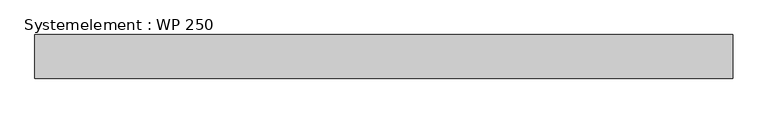
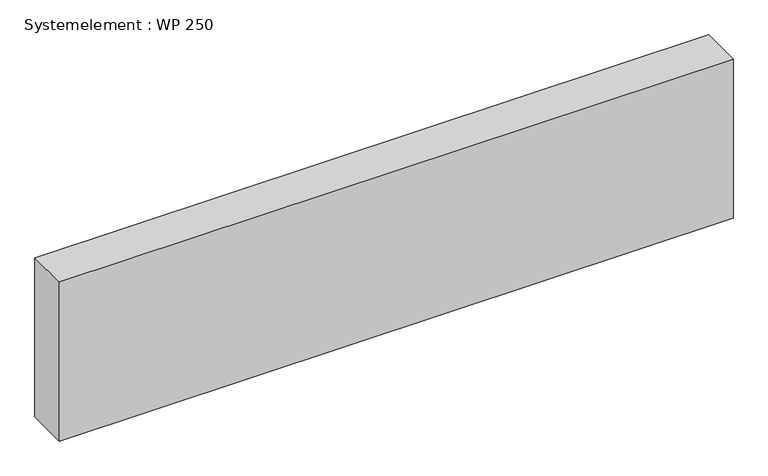
"""IFC4 building model written with IfcOpenShell, lengths in millimetres: plate geometry, Systemelement : WP 250."""

from ifc_helpers import new_model, si_unit, origin, origin_with_axes, place, context, project, spatial, polyline, outline, extrude, source, transform, mapped, element, save


def systemelement_wp_250_c8f60926(model_context):
    return source(origin(), model_context, "Body", "SweptSolid", [
        extrude(outline(polyline([(2000.0, -250.0), (-2000.0, -250.0), (-2000.0, 0.0), (2000.0, 0.0), (2000.0, -250.0)])), origin_with_axes(), (0.0, 0.0, 1.0), 1000.0),
    ])


if __name__ == "__main__":
    model = new_model("IFC4")
    model_context = context("Model", 3, world=origin())
    ifc_project = project(units=[si_unit("LENGTHUNIT", "METRE", prefix="MILLI")], contexts=[model_context])
    site = spatial("IfcSite", under=ifc_project)
    building = spatial("IfcBuilding", under=site)
    placement = place(None, origin())
    systemelement_wp_250_shape = systemelement_wp_250_c8f60926(model_context)
    element("IfcPlate", 1, ObjectType="Systemelement : WP 250", at=placement, inside=building, context=model_context, shape_type="MappedRepresentation", body=[
        mapped(systemelement_wp_250_shape, transform((0.0, 0.0, 0.0), x_axis=(1.0, 0.0, 0.0), y_axis=(0.0, 1.0, 0.0), z_axis=(0.0, 0.0, 1.0))),
    ])
    save(model, "model.ifc")
